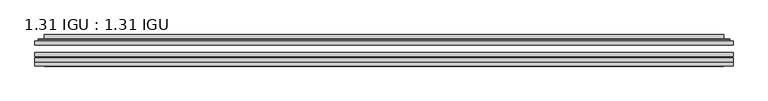
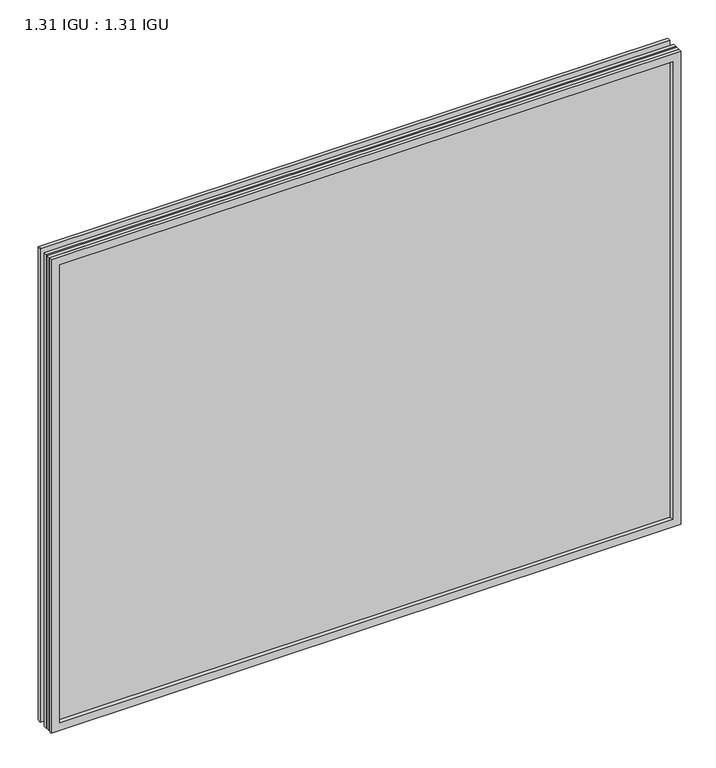
"""IFC4 building model written with IfcOpenShell, lengths in millimetres: plate geometry, 1.31 IGU : 1.31 IGU."""

import ifcopenshell
import ifcopenshell.guid

model = None  # the IFC model being written
_history = None  # IfcOwnerHistory: only IFC2X3 demands one
_inside = {}  # id of a spatial element -> (the spatial element, [elements in it])
_under = {}  # id of a project, library or spatial element -> (it, [spatial elements below it])
_declared = {}  # id of a project -> (the project, [libraries it declares])
_typed = {}  # id of a type object -> (the type object, [elements of that type])
_made_of = {}  # id of a material, layer set ... -> (it, [elements and type objects made of it])


def new_model(schema):
    """Start an empty IFC model of exactly this schema.

    Asked for "IFC4X3", IfcOpenShell would pick the latest addendum, in which some entities
    have other attributes; the version numbers below select the first issue.
    IFC2X3 requires an IfcOwnerHistory on every rooted entity: one is made here for all.
    """
    global model, _history
    if schema == "IFC4X3":
        model = ifcopenshell.file(schema_version=(4, 3, 0, 0))
    else:
        model = ifcopenshell.file(schema=schema)
    _inside.clear()
    _under.clear()
    _declared.clear()
    _typed.clear()
    _made_of.clear()
    _history = None
    if model.schema == "IFC2X3":
        org = make("IfcOrganization", Name="unknown")
        user = make(
            "IfcPersonAndOrganization",
            ThePerson=make("IfcPerson", FamilyName="unknown"),
            TheOrganization=org,
        )
        app = make(
            "IfcApplication",
            ApplicationDeveloper=org,
            Version="unknown",
            ApplicationFullName="unknown",
            ApplicationIdentifier="unknown",
        )
        _history = make(
            "IfcOwnerHistory",
            OwningUser=user,
            OwningApplication=app,
            ChangeAction="ADDED",
            CreationDate=0,
        )
    return model


def make(cls, **values):
    """One entity of the class cls with the attributes given. An attribute that is None is left unset."""
    return model.create_entity(
        cls, **{name: value for name, value in values.items() if value is not None}
    )


def rooted(cls, **values):
    """An entity with a GlobalId (a new one), such as an element, a storey or a relation."""
    return make(cls, GlobalId=ifcopenshell.guid.new(), OwnerHistory=_history, **values)


def si_unit(unit_type, name, prefix=None):
    """IfcSIUnit, for example si_unit("LENGTHUNIT", "METRE", prefix="MILLI")."""
    return make("IfcSIUnit", UnitType=unit_type, Prefix=prefix, Name=name)


def assignment(units):
    """IfcUnitAssignment: the units of a project."""
    return None if units is None else make("IfcUnitAssignment", Units=units)


def point(xyz):
    """IfcCartesianPoint."""
    return None if xyz is None else make("IfcCartesianPoint", Coordinates=xyz)


def direction(xyz):
    """IfcDirection."""
    return None if xyz is None else make("IfcDirection", DirectionRatios=xyz)


def frame(location, z_axis=None, x_axis=None):
    """IfcAxis2Placement3D, a coordinate frame: its origin and axes. An axis left out is left unset."""
    return make(
        "IfcAxis2Placement3D",
        Location=point(location),
        Axis=direction(z_axis),
        RefDirection=direction(x_axis),
    )


def origin():
    """The frame at (0, 0, 0) with its axes left unset."""
    return frame((0.0, 0.0, 0.0))


def place(relative_to, where):
    """IfcLocalPlacement: puts the frame where relative to a parent placement (None: the world)."""
    return make(
        "IfcLocalPlacement", PlacementRelTo=relative_to, RelativePlacement=where
    )


def context(
    kind, dimensions, precision=None, world=None, true_north=None, identifier=None
):
    """IfcGeometricRepresentationContext, for example the 3D "Model" context."""
    return make(
        "IfcGeometricRepresentationContext",
        ContextIdentifier=identifier,
        ContextType=kind,
        CoordinateSpaceDimension=dimensions,
        Precision=precision,
        WorldCoordinateSystem=world,
        TrueNorth=true_north,
    )


def project(units=None, contexts=None):
    """IfcProject with its units and contexts."""
    return rooted(
        "IfcProject",
        Name="project",
        RepresentationContexts=contexts,
        UnitsInContext=assignment(units),
    )


def spatial(cls, under=None, at=None, **own):
    """A site, building, storey or space (cls), placed at a placement, below another one or the project."""
    s = rooted(cls, ObjectPlacement=at, **own)
    if under is not None:
        _under.setdefault(under.id(), (under, []))[1].append(s)
    return s


def polyline(points):
    """IfcPolyline through the points."""
    return make("IfcPolyline", Points=[point(p) for p in points])


def ellipse_curve(where, semi_axis1, semi_axis2):
    """IfcEllipse in the frame where."""
    return make(
        "IfcEllipse", Position=where, SemiAxis1=semi_axis1, SemiAxis2=semi_axis2
    )


def outline(outer, holes=None, kind="AREA"):
    """IfcArbitraryClosedProfileDef: a profile drawn as a closed curve; with holes, ...WithVoids."""
    if holes is None:
        return make("IfcArbitraryClosedProfileDef", ProfileType=kind, OuterCurve=outer)
    return make(
        "IfcArbitraryProfileDefWithVoids",
        ProfileType=kind,
        OuterCurve=outer,
        InnerCurves=holes,
    )


def extrude(swept, where, along, depth):
    """IfcExtrudedAreaSolid: the profile swept, set in the frame where, extruded along a direction by depth."""
    return make(
        "IfcExtrudedAreaSolid",
        SweptArea=swept,
        Position=where,
        ExtrudedDirection=direction(along),
        Depth=depth,
    )


def faces_of(points, faces, orient=None, outer=None):
    """IfcFace entities. A face is a list of loops; a loop is a list of indices into points, from 0.

    orient and outer hold one flag for each loop. By default every Orientation is true, the
    first loop of a face is its IfcFaceOuterBound and the others are IfcFaceBound.
    """
    made = []
    for i, loops in enumerate(faces):
        bounds = []
        for j, loop in enumerate(loops):
            is_outer = j == 0 if outer is None else outer[i][j]
            bounds.append(
                make(
                    "IfcFaceOuterBound" if is_outer else "IfcFaceBound",
                    Bound=make("IfcPolyLoop", Polygon=[points[k] for k in loop]),
                    Orientation=True if orient is None else orient[i][j],
                )
            )
        made.append(make("IfcFace", Bounds=bounds))
    return made


def faceted_brep(points, faces, orient=None, outer=None, voids=None):
    """IfcFacetedBrep: a solid bounded by flat faces; with voids (closed shells), ...WithVoids."""
    shared = [point(p) for p in points]
    hull = make("IfcClosedShell", CfsFaces=faces_of(shared, faces, orient, outer))
    if voids is None:
        return make("IfcFacetedBrep", Outer=hull)
    return make(
        "IfcFacetedBrepWithVoids",
        Outer=hull,
        Voids=[
            make(cls, CfsFaces=faces_of(shared, fs, o, b)) for cls, fs, o, b in voids
        ],
    )


def shape(context_of_items, identifier, shape_type, items):
    """IfcShapeRepresentation: the items that make up one representation, for example the "Body"."""
    return make(
        "IfcShapeRepresentation",
        ContextOfItems=context_of_items,
        RepresentationIdentifier=identifier,
        RepresentationType=shape_type,
        Items=items,
    )


def source(mapping_origin, context_of_items, identifier, shape_type, items):
    """IfcRepresentationMap: a shape defined once, which mapped items show again and again."""
    return make(
        "IfcRepresentationMap",
        MappingOrigin=mapping_origin,
        MappedRepresentation=shape(context_of_items, identifier, shape_type, items),
    )


def transform(
    local_origin,
    x_axis=None,
    y_axis=None,
    z_axis=None,
    scale=None,
    scale2=None,
    scale3=None,
    uniform=True,
):
    """IfcCartesianTransformationOperator3D, or its non-uniform kind. x_axis, y_axis, z_axis: its Axis1, 2, 3."""
    if uniform:
        return make(
            "IfcCartesianTransformationOperator3D",
            Axis1=direction(x_axis),
            Axis2=direction(y_axis),
            LocalOrigin=point(local_origin),
            Scale=scale,
            Axis3=direction(z_axis),
        )
    return make(
        "IfcCartesianTransformationOperator3DnonUniform",
        Axis1=direction(x_axis),
        Axis2=direction(y_axis),
        LocalOrigin=point(local_origin),
        Scale=scale,
        Axis3=direction(z_axis),
        Scale2=scale2,
        Scale3=scale3,
    )


def mapped(mapping_source, mapping_target):
    """IfcMappedItem: shows the shape of a source again, moved by a transform."""
    return make(
        "IfcMappedItem", MappingSource=mapping_source, MappingTarget=mapping_target
    )


def made_of(thing, what):
    """Note that an element or type object is made of a material, layer set ...; save() writes the relation."""
    if what is not None:
        _made_of.setdefault(what.id(), (what, []))[1].append(thing)
    return thing


def element(
    cls,
    number,
    at=None,
    inside=None,
    cuts=None,
    type_object=None,
    material=None,
    context=None,
    identifier="Body",
    shape_type=None,
    held_by="IfcProductDefinitionShape",
    body=None,
    shapes=None,
    **own,
):
    """One element of the class cls, such as IfcWall. Its Tag is "e" and its number.

    at: its placement. inside: the storey or other place that contains it. cuts: it is an
    opening in that element (IfcRelVoidsElement). A single representation is given by context,
    identifier, shape_type and body (its items); several are given by shapes. held_by: the class
    of the entity that holds the representations. save() writes the other relations.
    """
    e = rooted(cls, Tag="e%d" % number, ObjectPlacement=at, **own)
    if body is not None:
        shapes = [shape(context, identifier, shape_type, body)]
    if shapes is not None:
        e.Representation = make(held_by, Representations=shapes)
    if inside is not None:
        _inside.setdefault(inside.id(), (inside, []))[1].append(e)
    if cuts is not None:
        rooted(
            "IfcRelVoidsElement", RelatingBuildingElement=cuts, RelatedOpeningElement=e
        )
    if type_object is not None:
        _typed.setdefault(type_object.id(), (type_object, []))[1].append(e)
    return made_of(e, material)


def aggregate(whole, parts):
    """IfcRelAggregates: a whole, such as a stair, and the parts it consists of."""
    return rooted("IfcRelAggregates", RelatingObject=whole, RelatedObjects=parts)


def save(model, path):
    """Write the relations noted so far, then the file.

    IfcRelAggregates (storeys below a building ...), IfcRelContainedInSpatialStructure (elements
    in a storey), IfcRelDefinesByType, IfcRelAssociatesMaterial and IfcRelDeclares: one each for
    every whole, place, type object, material and project.
    """
    for whole, parts in _under.values():
        aggregate(whole, parts)
    for where, things in _inside.values():
        rooted(
            "IfcRelContainedInSpatialStructure",
            RelatedElements=things,
            RelatingStructure=where,
        )
    for kind, things in _typed.values():
        rooted("IfcRelDefinesByType", RelatedObjects=things, RelatingType=kind)
    for what, things in _made_of.values():
        rooted("IfcRelAssociatesMaterial", RelatedObjects=things, RelatingMaterial=what)
    for by, libraries in _declared.values():
        rooted("IfcRelDeclares", RelatingContext=by, RelatedDefinitions=libraries)
    model.write(path)


def plane_surface(at):
    """IfcPlane: the flat surface through the origin of the frame at, square to its z axis."""
    return make("IfcPlane", Position=at)


def cylinder_surface(at, radius):
    """IfcCylindricalSurface: all points at the distance radius from the z axis of the frame at."""
    return make("IfcCylindricalSurface", Position=at, Radius=radius)


def advanced_brep(points, edges, surfaces, faces):
    """IfcAdvancedBrep: a solid bounded by faces that lie on surfaces and meet in shared edges.

    An edge is (start, end): straight between two places in points (the first is 0);
    or (start, end, curve); or (start, end, curve, False) where it runs against its curve.
    A face is (place in surfaces, loops), or (place, loops, False) where it looks against
    its surface's normal. A loop lists edges by number (the first is 1), with a minus sign
    where the edge is run from its end to its start. The first loop is the outer one.
    """
    corners = [point(p) for p in points]
    vertices = [make("IfcVertexPoint", VertexGeometry=c) for c in corners]
    made = []
    for start, end, *more in edges:
        made.append(
            make(
                "IfcEdgeCurve",
                EdgeStart=vertices[start],
                EdgeEnd=vertices[end],
                EdgeGeometry=more[0] if more else make("IfcPolyline", Points=[corners[start], corners[end]]),
                SameSense=more[1] if len(more) > 1 else True,
            )
        )
    hull = []
    for where, loops, *sense in faces:
        bounds = []
        for j, loop in enumerate(loops):
            ring = [make("IfcOrientedEdge", EdgeElement=made[abs(k) - 1], Orientation=k > 0) for k in loop]
            bounds.append(
                make(
                    "IfcFaceOuterBound" if j == 0 else "IfcFaceBound",
                    Bound=make("IfcEdgeLoop", EdgeList=ring),
                    Orientation=True,
                )
            )
        hull.append(make("IfcAdvancedFace", Bounds=bounds, FaceSurface=surfaces[where], SameSense=sense[0] if sense else True))
    return make("IfcAdvancedBrep", Outer=make("IfcClosedShell", CfsFaces=hull))


def plate_1_31_igu_1_31_igu_1ef6020d(model_context):
    return source(origin(), model_context, "Body", "SolidModel", [
        extrude(outline(polyline([(547.70485, -63.2975937), (547.70485, -69.6475938), (-547.690675, -69.6475938), (-547.690675, -63.2975937), (547.70485, -63.2975937)])), frame((0.0, 0.0, -14.2875), z_axis=(0.0, 0.0, 1.0), x_axis=(1.0, 0.0, 0.0)), (0.0, 0.0, 1.0), 869.9537979),
        extrude(outline(polyline([(-547.690675, -78.2835938), (-547.690675, -71.9330887), (547.70485, -71.9330887), (547.70485, -78.2835938), (-547.690675, -78.2835938)])), frame((0.0, 0.0, -14.2875), z_axis=(0.0, 0.0, 1.0), x_axis=(1.0, 0.0, 0.0)), (0.0, 0.0, 1.0), 869.9537979),
        extrude(outline(polyline([(547.70485, -44.9587937), (547.70485, -51.3087938), (-547.690675, -51.3087938), (-547.690675, -44.9587937), (547.70485, -44.9587937)])), frame((0.0, 0.0, -14.2875), z_axis=(0.0, 0.0, 1.0), x_axis=(1.0, 0.0, 0.0)), (0.0, 0.0, 1.0), 869.9537979),
        faceted_brep([(-547.703375, -84.6335937, 855.6752), (-547.703375, -78.2835937, 855.6752), (-547.703375, -78.2835937, -14.3002), (-547.703375, -84.6335937, -14.3002), (547.703375, -78.2835937, -14.3002), (547.703375, -84.6335937, -14.3002), (547.703375, -78.2835937, 855.6752), (547.703375, -84.6335937, 855.6752), (-532.5054309, -78.2835937, 0.8977441), (532.5054309, -78.2835937, 0.8977441), (532.5054309, -78.2835937, 840.4772559), (-532.5054309, -78.2835937, 840.4772559), (-533.3978652, -84.6335937, 841.3696902), (533.3978652, -84.6335937, 841.3696902), (533.3978652, -84.6335937, 0.0053098), (-533.3978652, -84.6335937, 0.0053098)], [[[0, 1, 2, 3]], [[3, 2, 4, 5]], [[5, 4, 6, 7]], [[1, 6, 4, 2], [8, 9, 10, 11]], [[7, 6, 1, 0]], [[3, 5, 7, 0], [12, 13, 14, 15]], [[11, 12, 15, 8]], [[8, 15, 14, 9]], [[9, 14, 13, 10]], [[10, 13, 12, 11]]]),
        advanced_brep(
        [(-540.449394, -44.9587937, 848.421219), (-542.8035994, -42.9691271, 850.7754244), (-542.8035994, -42.9691271, -9.4004244), (-540.449394, -44.9587937, -7.046219), (-531.3750689, -41.1187568, 839.3468939), (-526.4402371, -44.9587937, 834.4120621), (-526.4402371, -44.9587937, 6.9629379), (-531.3750689, -41.1187568, 2.0281061), (-532.4070967, -35.7215256, 840.3789217), (-532.4070967, -35.7215256, 0.9960783), (-533.3977534, -35.3225507, 841.3695784), (-533.3977534, -35.3225507, 0.0054216), (-533.3977534, -41.7837937, 841.3695784), (-533.3977534, -41.7837937, 0.0054216), (-541.8018099, -41.7837937, 849.7736349), (-541.8018099, -41.7837937, -8.3986349), (542.8035994, -42.9691271, -9.4004244), (540.449394, -44.9587937, -7.046219), (526.4402371, -44.9587937, 6.9629379), (531.3750689, -41.1187568, 2.0281061), (532.4070967, -35.7215256, 0.9960783), (533.3977534, -35.3225507, 0.0054216), (533.3977534, -41.7837937, 0.0054216), (541.8018099, -41.7837937, -8.3986349), (542.8035994, -42.9691271, 850.7754244), (540.449394, -44.9587937, 848.421219), (526.4402371, -44.9587937, 834.4120621), (531.3750689, -41.1187568, 839.3468939), (532.4070967, -35.7215256, 840.3789217), (533.3977534, -35.3225507, 841.3695784), (533.3977534, -41.7837937, 841.3695784), (541.8018099, -41.7837937, 849.7736349)],
        [
            (0, 1, ellipse_curve(frame((-540.449394, -42.5711937, 848.421219), z_axis=(-0.7071067811865475, 0.0, -0.7071067811865475), x_axis=(-0.7071067811865474, 0.0, 0.7071067811865476)), 3.3765763, 2.3876)),
            (1, 2),
            (2, 3, ellipse_curve(frame((-540.449394, -42.5711937, -7.046219), z_axis=(-0.7071067811865475, 0.0, 0.7071067811865475), x_axis=(0.7071067811865474, 0.0, 0.7071067811865476)), 3.3765763, 2.3876)),
            (3, 0),
            (4, 5),
            (5, 6),
            (6, 7),
            (7, 4),
            (8, 4),
            (7, 9),
            (9, 8),
            (10, 8, ellipse_curve(frame((-533.0307969, -35.840786, 841.0026219), z_axis=(-0.7071067811865475, 0.0, -0.7071067811865475), x_axis=(-0.7071067811865474, 0.0, 0.7071067811865476)), 0.8980256, 0.635)),
            (9, 11, ellipse_curve(frame((-533.0307969, -35.840786, 0.3723781), z_axis=(-0.7071067811865475, 0.0, 0.7071067811865475), x_axis=(0.7071067811865474, 0.0, 0.7071067811865476)), 0.8980256, 0.635)),
            (11, 10),
            (12, 10),
            (11, 13),
            (13, 12),
            (1, 14, ellipse_curve(frame((-541.8018099, -42.7997937, 849.7736349), z_axis=(-0.7071067811865475, 0.0, -0.7071067811865475), x_axis=(-0.7071067811865474, 0.0, 0.7071067811865476)), 1.436841, 1.016)),
            (14, 15),
            (15, 2, ellipse_curve(frame((-541.8018099, -42.7997937, -8.3986349), z_axis=(-0.7071067811865475, 0.0, 0.7071067811865475), x_axis=(0.7071067811865474, 0.0, 0.7071067811865476)), 1.436841, 1.016)),
            (2, 16),
            (16, 17, ellipse_curve(frame((540.449394, -42.5711937, -7.046219), z_axis=(-0.7071067811865475, 0.0, -0.7071067811865475), x_axis=(-0.7071067811865476, 0.0, 0.7071067811865474)), 3.3765763, 2.3876)),
            (17, 3),
            (6, 18),
            (18, 19),
            (19, 7),
            (19, 20),
            (20, 9),
            (20, 21, ellipse_curve(frame((533.0307969, -35.840786, 0.3723781), z_axis=(-0.7071067811865475, 0.0, -0.7071067811865475), x_axis=(-0.7071067811865476, 0.0, 0.7071067811865474)), 0.8980256, 0.635)),
            (21, 11),
            (21, 22),
            (22, 13),
            (15, 23),
            (23, 16, ellipse_curve(frame((541.8018099, -42.7997937, -8.3986349), z_axis=(-0.7071067811865475, 0.0, -0.7071067811865475), x_axis=(-0.7071067811865476, 0.0, 0.7071067811865474)), 1.436841, 1.016)),
            (16, 24),
            (24, 25, ellipse_curve(frame((540.449394, -42.5711937, 848.421219), z_axis=(0.7071067811865475, 0.0, -0.7071067811865475), x_axis=(-0.7071067811865474, 0.0, -0.7071067811865476)), 3.3765763, 2.3876)),
            (25, 17),
            (18, 26),
            (26, 27),
            (27, 19),
            (27, 28),
            (28, 20),
            (28, 29, ellipse_curve(frame((533.0307969, -35.840786, 841.0026219), z_axis=(0.7071067811865475, 0.0, -0.7071067811865475), x_axis=(-0.7071067811865474, 0.0, -0.7071067811865476)), 0.8980256, 0.635)),
            (29, 21),
            (29, 30),
            (30, 22),
            (23, 31),
            (31, 24, ellipse_curve(frame((541.8018099, -42.7997937, 849.7736349), z_axis=(0.7071067811865475, 0.0, -0.7071067811865475), x_axis=(-0.7071067811865474, 0.0, -0.7071067811865476)), 1.436841, 1.016)),
            (24, 1),
            (0, 25),
            (5, 26),
            (4, 27),
            (8, 28),
            (10, 29),
            (12, 30),
            (14, 31),
        ],
        [
            cylinder_surface(frame((-540.449394, -42.5711937, 873.125), z_axis=(0.0, 0.0, 1.0), x_axis=(-1.0, 0.0, 0.0)), 2.3876),
            plane_surface(frame((-526.4402371, -44.9587937, 834.4120621), z_axis=(0.6141233906514794, 0.7892100234124821, 0.0), x_axis=(0.0, 0.0, -1.0))),
            plane_surface(frame((-531.3750689, -41.1187568, 839.3468939), z_axis=(0.9822050625507729, 0.18781164793386076, 0.0), x_axis=(0.0, 0.0, -1.0))),
            cylinder_surface(frame((-533.0307969, -35.840786, 873.125), z_axis=(0.0, 0.0, 1.0), x_axis=(-1.0, 0.0, 0.0)), 0.635),
            plane_surface(frame((-533.3977534, -35.3225507, 841.3695784), z_axis=(-1.0, 0.0, 0.0), x_axis=(0.0, 0.0, -1.0))),
            cylinder_surface(frame((-541.8018099, -42.7997937, 873.125), z_axis=(0.0, 0.0, 1.0), x_axis=(-1.0, 0.0, 0.0)), 1.016),
            cylinder_surface(frame((-565.153175, -42.5711937, -7.046219), z_axis=(-1.0, 0.0, 0.0), x_axis=(0.0, 0.0, -1.0)), 2.3876),
            plane_surface(frame((-526.4402371, -44.9587937, 6.9629379), z_axis=(0.0, 0.7892100234124841, 0.6141233906514768), x_axis=(1.0, 0.0, 0.0))),
            plane_surface(frame((-531.3750689, -41.1187568, 2.0281061), z_axis=(0.0, 0.18781164793386393, 0.9822050625507723), x_axis=(1.0, 0.0, 0.0))),
            cylinder_surface(frame((-565.153175, -35.840786, 0.3723781), z_axis=(-1.0, 0.0, 0.0), x_axis=(0.0, 0.0, -1.0)), 0.635),
            plane_surface(frame((-533.3977534, -35.3225507, 0.0054216), z_axis=(0.0, 0.0, -1.0), x_axis=(1.0, 0.0, 0.0))),
            cylinder_surface(frame((-565.153175, -42.7997937, -8.3986349), z_axis=(-1.0, 0.0, 0.0), x_axis=(0.0, 0.0, -1.0)), 1.016),
            cylinder_surface(frame((540.449394, -42.5711937, -31.75), z_axis=(0.0, 0.0, -1.0), x_axis=(1.0, 0.0, 0.0)), 2.3876),
            plane_surface(frame((526.4402371, -44.9587937, 6.9629379), z_axis=(-0.6141233906514743, 0.7892100234124861, 0.0), x_axis=(0.0, 0.0, 1.0))),
            plane_surface(frame((531.3750689, -41.1187568, 2.0281061), z_axis=(-0.9822050625507718, 0.1878116479338671, 0.0), x_axis=(0.0, 0.0, 1.0))),
            cylinder_surface(frame((533.0307969, -35.840786, -31.75), z_axis=(0.0, 0.0, -1.0), x_axis=(1.0, 0.0, 0.0)), 0.635),
            plane_surface(frame((533.3977534, -35.3225507, 0.0054216), z_axis=(1.0, 0.0, 0.0), x_axis=(0.0, 0.0, 1.0))),
            cylinder_surface(frame((541.8018099, -42.7997937, -31.75), z_axis=(0.0, 0.0, -1.0), x_axis=(1.0, 0.0, 0.0)), 1.016),
            cylinder_surface(frame((565.153175, -42.5711937, 848.421219), z_axis=(1.0, 0.0, 0.0), x_axis=(0.0, 0.0, 1.0)), 2.3876),
            plane_surface(frame((540.449394, -44.9587937, 848.421219), z_axis=(0.0, -1.0, 0.0), x_axis=(-1.0, 0.0, 0.0))),
            plane_surface(frame((526.4402371, -44.9587937, 834.4120621), z_axis=(0.0, 0.7892100234124841, -0.6141233906514768), x_axis=(-1.0, 0.0, 0.0))),
            plane_surface(frame((531.3750689, -41.1187568, 839.3468939), z_axis=(0.0, 0.18781164793386393, -0.9822050625507723), x_axis=(-1.0, 0.0, 0.0))),
            cylinder_surface(frame((565.153175, -35.840786, 841.0026219), z_axis=(1.0, 0.0, 0.0), x_axis=(0.0, 0.0, 1.0)), 0.635),
            plane_surface(frame((533.3977534, -35.3225507, 841.3695784), z_axis=(0.0, 0.0, 1.0), x_axis=(-1.0, 0.0, 0.0))),
            plane_surface(frame((533.3977534, -41.7837937, 841.3695784), z_axis=(0.0, 1.0, 0.0), x_axis=(-1.0, 0.0, 0.0))),
            cylinder_surface(frame((565.153175, -42.7997937, 849.7736349), z_axis=(1.0, 0.0, 0.0), x_axis=(0.0, 0.0, 1.0)), 1.016),
        ],
        [
            (0, [[1, 2, 3, 4]]),
            (1, [[5, 6, 7, 8]]),
            (2, [[9, -8, 10, 11]]),
            (3, [[12, -11, 13, 14]]),
            (4, [[15, -14, 16, 17]]),
            (5, [[18, 19, 20, -2]]),
            (6, [[-3, 21, 22, 23]]),
            (7, [[-7, 24, 25, 26]]),
            (8, [[-10, -26, 27, 28]]),
            (9, [[-13, -28, 29, 30]]),
            (10, [[-16, -30, 31, 32]]),
            (11, [[-20, 33, 34, -21]]),
            (12, [[-22, 35, 36, 37]]),
            (13, [[-25, 38, 39, 40]]),
            (14, [[-27, -40, 41, 42]]),
            (15, [[-29, -42, 43, 44]]),
            (16, [[-31, -44, 45, 46]]),
            (17, [[-34, 47, 48, -35]]),
            (18, [[-36, 49, -1, 50]]),
            (19, [[-23, -37, -50, -4], [51, -38, -24, -6]]),
            (20, [[-39, -51, -5, 52]]),
            (21, [[-41, -52, -9, 53]]),
            (22, [[-43, -53, -12, 54]]),
            (23, [[-45, -54, -15, 55]]),
            (24, [[56, -47, -33, -19], [-32, -46, -55, -17]]),
            (25, [[-48, -56, -18, -49]]),
        ],
    ),
    ])


if __name__ == "__main__":
    model = new_model("IFC4")
    model_context = context("Model", 3, world=origin())
    ifc_project = project(units=[si_unit("LENGTHUNIT", "METRE", prefix="MILLI")], contexts=[model_context])
    site = spatial("IfcSite", under=ifc_project)
    building = spatial("IfcBuilding", under=site)
    placement = place(None, origin())
    plate_1_31_igu_1_31_igu_shape = plate_1_31_igu_1_31_igu_1ef6020d(model_context)
    element("IfcPlate", 1, ObjectType="1.31 IGU : 1.31 IGU", at=placement, inside=building, context=model_context, shape_type="MappedRepresentation", body=[
        mapped(plate_1_31_igu_1_31_igu_shape, transform((0.0, 0.0, 0.0), x_axis=(1.0, 0.0, 0.0), y_axis=(0.0, 1.0, 0.0), z_axis=(0.0, 0.0, 1.0))),
    ])
    save(model, "model.ifc")
